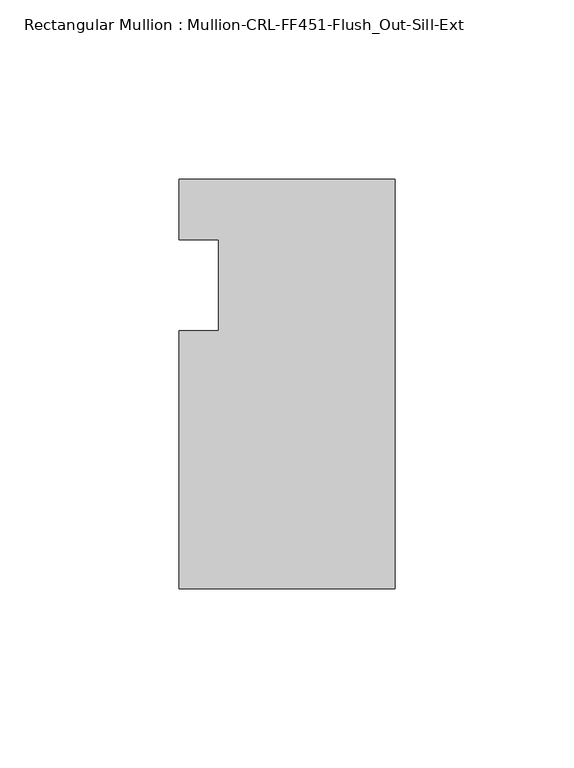
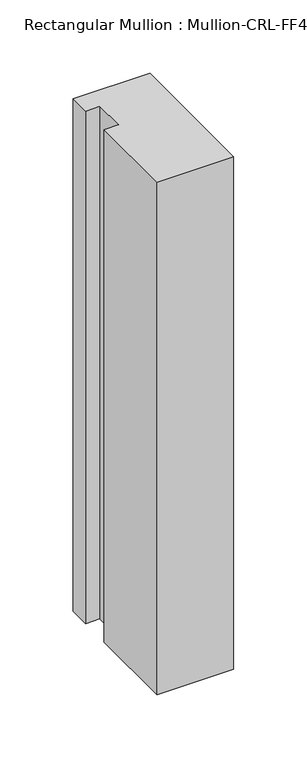
"""IFC4 building model written with IfcOpenShell, lengths in millimetres: member geometry, Rectangular Mullion : Mullion-CRL-FF451-Flush_Out-Sill-Ext."""

import ifcopenshell
import ifcopenshell.guid

model = None  # the IFC model being written
_history = None  # IfcOwnerHistory: only IFC2X3 demands one
_inside = {}  # id of a spatial element -> (the spatial element, [elements in it])
_under = {}  # id of a project, library or spatial element -> (it, [spatial elements below it])
_declared = {}  # id of a project -> (the project, [libraries it declares])
_typed = {}  # id of a type object -> (the type object, [elements of that type])
_made_of = {}  # id of a material, layer set ... -> (it, [elements and type objects made of it])


def new_model(schema):
    """Start an empty IFC model of exactly this schema.

    Asked for "IFC4X3", IfcOpenShell would pick the latest addendum, in which some entities
    have other attributes; the version numbers below select the first issue.
    IFC2X3 requires an IfcOwnerHistory on every rooted entity: one is made here for all.
    """
    global model, _history
    if schema == "IFC4X3":
        model = ifcopenshell.file(schema_version=(4, 3, 0, 0))
    else:
        model = ifcopenshell.file(schema=schema)
    _inside.clear()
    _under.clear()
    _declared.clear()
    _typed.clear()
    _made_of.clear()
    _history = None
    if model.schema == "IFC2X3":
        org = make("IfcOrganization", Name="unknown")
        user = make(
            "IfcPersonAndOrganization",
            ThePerson=make("IfcPerson", FamilyName="unknown"),
            TheOrganization=org,
        )
        app = make(
            "IfcApplication",
            ApplicationDeveloper=org,
            Version="unknown",
            ApplicationFullName="unknown",
            ApplicationIdentifier="unknown",
        )
        _history = make(
            "IfcOwnerHistory",
            OwningUser=user,
            OwningApplication=app,
            ChangeAction="ADDED",
            CreationDate=0,
        )
    return model


def make(cls, **values):
    """One entity of the class cls with the attributes given. An attribute that is None is left unset."""
    return model.create_entity(
        cls, **{name: value for name, value in values.items() if value is not None}
    )


def rooted(cls, **values):
    """An entity with a GlobalId (a new one), such as an element, a storey or a relation."""
    return make(cls, GlobalId=ifcopenshell.guid.new(), OwnerHistory=_history, **values)


def si_unit(unit_type, name, prefix=None):
    """IfcSIUnit, for example si_unit("LENGTHUNIT", "METRE", prefix="MILLI")."""
    return make("IfcSIUnit", UnitType=unit_type, Prefix=prefix, Name=name)


def assignment(units):
    """IfcUnitAssignment: the units of a project."""
    return None if units is None else make("IfcUnitAssignment", Units=units)


def point(xyz):
    """IfcCartesianPoint."""
    return None if xyz is None else make("IfcCartesianPoint", Coordinates=xyz)


def direction(xyz):
    """IfcDirection."""
    return None if xyz is None else make("IfcDirection", DirectionRatios=xyz)


def frame(location, z_axis=None, x_axis=None):
    """IfcAxis2Placement3D, a coordinate frame: its origin and axes. An axis left out is left unset."""
    return make(
        "IfcAxis2Placement3D",
        Location=point(location),
        Axis=direction(z_axis),
        RefDirection=direction(x_axis),
    )


def origin():
    """The frame at (0, 0, 0) with its axes left unset."""
    return frame((0.0, 0.0, 0.0))


def place(relative_to, where):
    """IfcLocalPlacement: puts the frame where relative to a parent placement (None: the world)."""
    return make(
        "IfcLocalPlacement", PlacementRelTo=relative_to, RelativePlacement=where
    )


def context(
    kind, dimensions, precision=None, world=None, true_north=None, identifier=None
):
    """IfcGeometricRepresentationContext, for example the 3D "Model" context."""
    return make(
        "IfcGeometricRepresentationContext",
        ContextIdentifier=identifier,
        ContextType=kind,
        CoordinateSpaceDimension=dimensions,
        Precision=precision,
        WorldCoordinateSystem=world,
        TrueNorth=true_north,
    )


def project(units=None, contexts=None):
    """IfcProject with its units and contexts."""
    return rooted(
        "IfcProject",
        Name="project",
        RepresentationContexts=contexts,
        UnitsInContext=assignment(units),
    )


def spatial(cls, under=None, at=None, **own):
    """A site, building, storey or space (cls), placed at a placement, below another one or the project."""
    s = rooted(cls, ObjectPlacement=at, **own)
    if under is not None:
        _under.setdefault(under.id(), (under, []))[1].append(s)
    return s


def polyline(points):
    """IfcPolyline through the points."""
    return make("IfcPolyline", Points=[point(p) for p in points])


def outline(outer, holes=None, kind="AREA"):
    """IfcArbitraryClosedProfileDef: a profile drawn as a closed curve; with holes, ...WithVoids."""
    if holes is None:
        return make("IfcArbitraryClosedProfileDef", ProfileType=kind, OuterCurve=outer)
    return make(
        "IfcArbitraryProfileDefWithVoids",
        ProfileType=kind,
        OuterCurve=outer,
        InnerCurves=holes,
    )


def extrude(swept, where, along, depth):
    """IfcExtrudedAreaSolid: the profile swept, set in the frame where, extruded along a direction by depth."""
    return make(
        "IfcExtrudedAreaSolid",
        SweptArea=swept,
        Position=where,
        ExtrudedDirection=direction(along),
        Depth=depth,
    )


def shape(context_of_items, identifier, shape_type, items):
    """IfcShapeRepresentation: the items that make up one representation, for example the "Body"."""
    return make(
        "IfcShapeRepresentation",
        ContextOfItems=context_of_items,
        RepresentationIdentifier=identifier,
        RepresentationType=shape_type,
        Items=items,
    )


def source(mapping_origin, context_of_items, identifier, shape_type, items):
    """IfcRepresentationMap: a shape defined once, which mapped items show again and again."""
    return make(
        "IfcRepresentationMap",
        MappingOrigin=mapping_origin,
        MappedRepresentation=shape(context_of_items, identifier, shape_type, items),
    )


def transform(
    local_origin,
    x_axis=None,
    y_axis=None,
    z_axis=None,
    scale=None,
    scale2=None,
    scale3=None,
    uniform=True,
):
    """IfcCartesianTransformationOperator3D, or its non-uniform kind. x_axis, y_axis, z_axis: its Axis1, 2, 3."""
    if uniform:
        return make(
            "IfcCartesianTransformationOperator3D",
            Axis1=direction(x_axis),
            Axis2=direction(y_axis),
            LocalOrigin=point(local_origin),
            Scale=scale,
            Axis3=direction(z_axis),
        )
    return make(
        "IfcCartesianTransformationOperator3DnonUniform",
        Axis1=direction(x_axis),
        Axis2=direction(y_axis),
        LocalOrigin=point(local_origin),
        Scale=scale,
        Axis3=direction(z_axis),
        Scale2=scale2,
        Scale3=scale3,
    )


def mapped(mapping_source, mapping_target):
    """IfcMappedItem: shows the shape of a source again, moved by a transform."""
    return make(
        "IfcMappedItem", MappingSource=mapping_source, MappingTarget=mapping_target
    )


def made_of(thing, what):
    """Note that an element or type object is made of a material, layer set ...; save() writes the relation."""
    if what is not None:
        _made_of.setdefault(what.id(), (what, []))[1].append(thing)
    return thing


def element(
    cls,
    number,
    at=None,
    inside=None,
    cuts=None,
    type_object=None,
    material=None,
    context=None,
    identifier="Body",
    shape_type=None,
    held_by="IfcProductDefinitionShape",
    body=None,
    shapes=None,
    **own,
):
    """One element of the class cls, such as IfcWall. Its Tag is "e" and its number.

    at: its placement. inside: the storey or other place that contains it. cuts: it is an
    opening in that element (IfcRelVoidsElement). A single representation is given by context,
    identifier, shape_type and body (its items); several are given by shapes. held_by: the class
    of the entity that holds the representations. save() writes the other relations.
    """
    e = rooted(cls, Tag="e%d" % number, ObjectPlacement=at, **own)
    if body is not None:
        shapes = [shape(context, identifier, shape_type, body)]
    if shapes is not None:
        e.Representation = make(held_by, Representations=shapes)
    if inside is not None:
        _inside.setdefault(inside.id(), (inside, []))[1].append(e)
    if cuts is not None:
        rooted(
            "IfcRelVoidsElement", RelatingBuildingElement=cuts, RelatedOpeningElement=e
        )
    if type_object is not None:
        _typed.setdefault(type_object.id(), (type_object, []))[1].append(e)
    return made_of(e, material)


def aggregate(whole, parts):
    """IfcRelAggregates: a whole, such as a stair, and the parts it consists of."""
    return rooted("IfcRelAggregates", RelatingObject=whole, RelatedObjects=parts)


def save(model, path):
    """Write the relations noted so far, then the file.

    IfcRelAggregates (storeys below a building ...), IfcRelContainedInSpatialStructure (elements
    in a storey), IfcRelDefinesByType, IfcRelAssociatesMaterial and IfcRelDeclares: one each for
    every whole, place, type object, material and project.
    """
    for whole, parts in _under.values():
        aggregate(whole, parts)
    for where, things in _inside.values():
        rooted(
            "IfcRelContainedInSpatialStructure",
            RelatedElements=things,
            RelatingStructure=where,
        )
    for kind, things in _typed.values():
        rooted("IfcRelDefinesByType", RelatedObjects=things, RelatingType=kind)
    for what, things in _made_of.values():
        rooted("IfcRelAssociatesMaterial", RelatedObjects=things, RelatingMaterial=what)
    for by, libraries in _declared.values():
        rooted("IfcRelDeclares", RelatingContext=by, RelatedDefinitions=libraries)
    model.write(path)


def rectangular_mullion_mullion_crl_ff451_flush_out_sill_ext_61617ac0(model_context):
    return source(origin(), model_context, "Body", "SweptSolid", [
        extrude(outline(polyline([(-60.325, -84.6650108), (-60.325, -12.7), (-49.222241, -12.7), (-49.222241, 12.7), (-60.325, 12.7), (-60.325, 29.6349892), (0.0, 29.6349892), (0.0, -84.6650108), (-60.325, -84.6650108)])), frame((0.0, 0.0, -426.1572465), z_axis=(0.0, 0.0, 1.0), x_axis=(1.0, 0.0, 0.0)), (0.0, 0.0, 1.0), 426.1572465),
    ])


if __name__ == "__main__":
    model = new_model("IFC4")
    model_context = context("Model", 3, world=origin())
    ifc_project = project(units=[si_unit("LENGTHUNIT", "METRE", prefix="MILLI")], contexts=[model_context])
    site = spatial("IfcSite", under=ifc_project)
    building = spatial("IfcBuilding", under=site)
    placement = place(None, origin())
    rectangular_mullion_mullion_crl_ff451_flush_out_sill_ext_shape = rectangular_mullion_mullion_crl_ff451_flush_out_sill_ext_61617ac0(model_context)
    element("IfcMember", 1, ObjectType="Rectangular Mullion : Mullion-CRL-FF451-Flush_Out-Sill-Ext", at=placement, inside=building, context=model_context, shape_type="MappedRepresentation", body=[
        mapped(rectangular_mullion_mullion_crl_ff451_flush_out_sill_ext_shape, transform((0.0, 0.0, 0.0), x_axis=(1.0, 0.0, 0.0), y_axis=(0.0, 1.0, 0.0), z_axis=(0.0, 0.0, 1.0))),
    ])
    save(model, "model.ifc")
